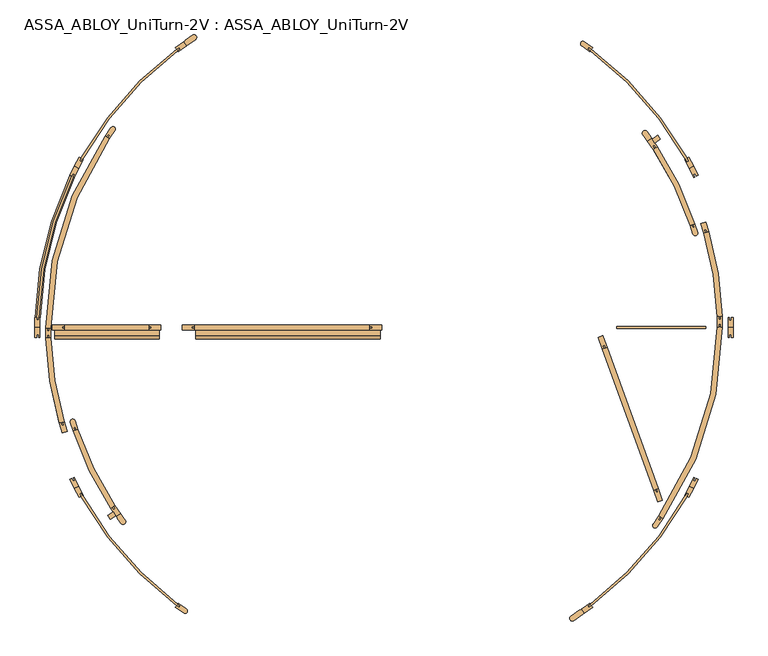
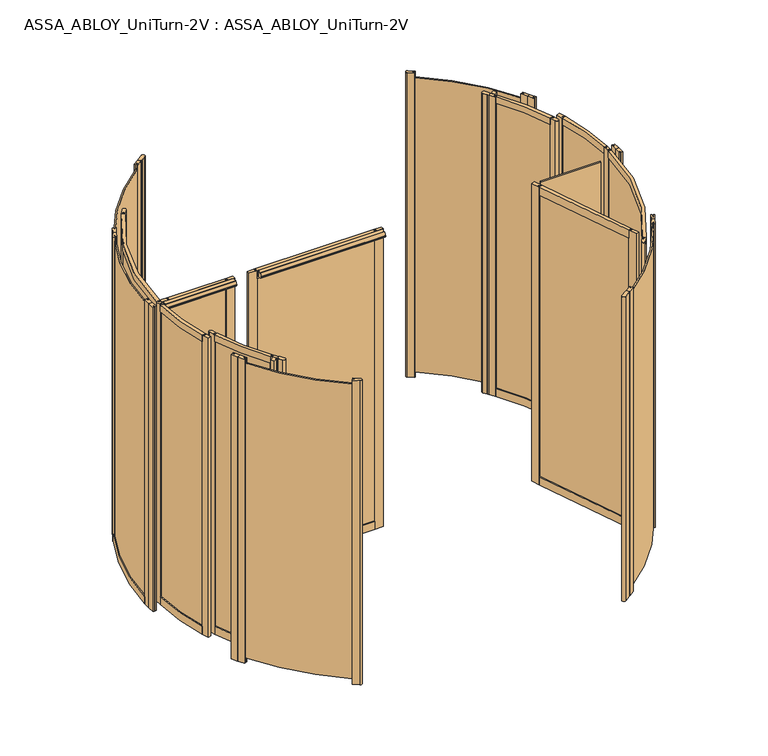
"""IFC4 building model written with IfcOpenShell, lengths in millimetres: door geometry, ASSA_ABLOY_UniTurn-2V : ASSA_ABLOY_UniTurn-2V."""

from ifc_helpers import new_model, si_unit, point, frame, frame_2d, origin, origin_with_axes, place, context, project, spatial, polyline, circle_curve, trimmed, segment, composite_curve, outline, extrude, source, transform, mapped, element, save
from ifc_brep_helpers import plane_surface, cylinder_surface, revolved_surface, advanced_brep


def assa_abloy_uniturn_2v_assa_abloy_uniturn_2v_77f66aa2(model_context):
    return source(origin(), model_context, "Body", "SolidModel", [
        advanced_brep(
        [(-1700.2306704, 53.0, 56.0), (-1700.2306704, 53.0, 0.0), (-1674.2416247, 52.245345, 0.0), (-1674.2416247, 52.245345, 56.0), (-1679.2395181, 52.390471, 56.0), (-1679.2395181, 52.390471, 41.0), (-1689.2353049, 52.6807229, 41.0), (-1689.2353049, 52.6807229, 56.0), (-1518.4720542, 795.7861567, 56.0), (-1508.5716201, 790.9922642, 56.0), (-1508.5716201, 790.9922642, 41.0), (-1499.5712255, 786.6341801, 41.0), (-1499.5712255, 786.6341801, 56.0), (-1495.0710282, 784.4551381, 56.0), (-1495.0710282, 784.4551381, 0.0), (-1518.4720542, 795.7861567, 0.0)],
        [
            (0, 1),
            (1, 2),
            (2, 3),
            (3, 4),
            (4, 5),
            (5, 6),
            (6, 7),
            (7, 0),
            (8, 9),
            (9, 10),
            (10, 11),
            (11, 12),
            (12, 13),
            (13, 14),
            (14, 15),
            (15, 8),
            (15, 1, circle_curve(frame((125.0, 0.0, 0.0), z_axis=(0.0, 0.0, 1.0), x_axis=(-0.9995786803689732, 0.029025191675892625, 0.0)), 1826.0)),
            (0, 8, circle_curve(frame((125.0, 0.0, 56.0), z_axis=(0.0, 0.0, -1.0), x_axis=(-0.9995786803689732, 0.029025191675892625, 0.0)), 1826.0)),
            (14, 2, circle_curve(frame((125.0, 0.0, 0.0), z_axis=(0.0, 0.0, 1.0), x_axis=(-0.9995786803689732, 0.029025191675892625, 0.0)), 1800.0)),
            (13, 3, circle_curve(frame((125.0, 0.0, 56.0), z_axis=(0.0, 0.0, 1.0), x_axis=(-0.9995786803689732, 0.029025191675892625, 0.0)), 1800.0)),
            (12, 4, circle_curve(frame((125.0, 0.0, 56.0), z_axis=(0.0, 0.0, 1.0), x_axis=(-0.9995786803689732, 0.029025191675892625, 0.0)), 1805.0)),
            (11, 5, circle_curve(frame((125.0, 0.0, 41.0), z_axis=(0.0, 0.0, 1.0), x_axis=(-0.9995786803689732, 0.029025191675892625, 0.0)), 1805.0)),
            (10, 6, circle_curve(frame((125.0, 0.0, 41.0), z_axis=(0.0, 0.0, 1.0), x_axis=(-0.9995786803689732, 0.029025191675892625, 0.0)), 1815.0)),
            (9, 7, circle_curve(frame((125.0, 0.0, 56.0), z_axis=(0.0, 0.0, 1.0), x_axis=(-0.9995786803689732, 0.029025191675892625, 0.0)), 1815.0)),
        ],
        [
            plane_surface(frame((-1700.2306704, 53.0, 0.0), z_axis=(-0.02902519167589263, -0.9995786803689732, 0.0), x_axis=(0.0, 0.0, 1.0))),
            plane_surface(frame((-1518.4720542, 795.7861567, 0.0), z_axis=(0.43580841002827103, 0.9000394601064059, 0.0), x_axis=(0.0, 0.0, 1.0))),
            cylinder_surface(frame((125.0, 0.0, 0.0), z_axis=(0.0, 0.0, -1.0000000000000002), x_axis=(-0.9995786803689732, 0.029025191675892625, 0.0)), 1826.0),
            plane_surface(frame((125.0, 0.0, 0.0), z_axis=(0.0, 0.0, -1.0000000000000002), x_axis=(-0.9995786803689732, 0.029025191675892625, 0.0))),
            revolved_surface(polyline([(-1674.241624664152, 52.24534501660673, 0.0), (-1674.241624664152, 52.24534501660673, 56.00000000000003)]), (125.0, 0.0, 0.0), (0.0, 0.0, -1.0000000000000002)),
            plane_surface(frame((125.0, 0.0, 56.0), z_axis=(0.0, 0.0, 1.0000000000000002), x_axis=(-0.9995786803689732, 0.029025191675892625, 0.0))),
            cylinder_surface(frame((125.0, 0.0, 0.0), z_axis=(0.0, 0.0, -1.0000000000000002), x_axis=(-0.9995786803689732, 0.029025191675892625, 0.0)), 1805.0),
            plane_surface(frame((125.0, 0.0, 41.0), z_axis=(0.0, 0.0, 1.0000000000000002), x_axis=(-0.9995786803689732, 0.029025191675892625, 0.0))),
            revolved_surface(polyline([(-1689.2353048696864, 52.68072289174511, 41.000000000000014), (-1689.2353048696864, 52.68072289174511, 56.00000000000003)]), (125.0, 0.0, 0.0), (0.0, 0.0, -1.0000000000000002)),
        ],
        [
            (0, [[1, 2, 3, 4, 5, 6, 7, 8]]),
            (1, [[9, 10, 11, 12, 13, 14, 15, 16]]),
            (2, [[17, -1, 18, -16]]),
            (3, [[19, -2, -17, -15]]),
            (4, [[20, -3, -19, -14]]),
            (5, [[21, -4, -20, -13]]),
            (6, [[22, -5, -21, -12]]),
            (7, [[23, -6, -22, -11]]),
            (8, [[24, -7, -23, -10]]),
            (5, [[-18, -8, -24, -9]]),
        ],
    ),
        extrude(outline(composite_curve([segment(polyline([(-907.4375854, 1474.4736797), (-922.3505728, 1495.7716329), (-913.9952219, 1501.6221125), (-914.5687984, 1502.4412646), (-877.0516347, 1528.7110654)]), True, "CONTINUOUS"), segment(trimmed(circle_curve(frame_2d((-869.0215646, 1517.2429367)), 14.0), [point((-877.0516347, 1528.7110654))], [point((-860.9914945, 1505.7748081))], False, "CARTESIAN"), True, "CONTINUOUS"), segment(polyline([(-860.9914945, 1505.7748081), (-898.5086581, 1479.5050073), (-899.0822346, 1480.3241594), (-907.4375854, 1474.4736797)]), True, "CONTINUOUS")], self_intersect=False)), origin_with_axes(), (0.0, 0.0, 1.0), 2500.0),
        extrude(outline(composite_curve([segment(polyline([(1172.3505728, -1495.7716329), (1163.9952219, -1501.6221125), (1164.5687984, -1502.4412646), (1118.6962839, -1534.561545)]), True, "CONTINUOUS"), segment(trimmed(circle_curve(frame_2d((1110.6662138, -1523.0934164)), 14.0), [point((1118.6962839, -1534.561545))], [point((1102.6361437, -1511.6252878))], False, "CARTESIAN"), True, "CONTINUOUS"), segment(polyline([(1102.6361437, -1511.6252878), (1148.5086581, -1479.5050073), (1149.0822346, -1480.3241594), (1157.4375854, -1474.4736797), (1172.3505728, -1495.7716329)]), True, "CONTINUOUS")], self_intersect=False)), origin_with_axes(), (0.0, 0.0, 1.0), 2500.0),
        extrude(outline(composite_curve([segment(polyline([(1701.7592796, -880.5601708), (1709.1472574, -866.3679974), (1718.0173657, -870.9854836), (1710.6293879, -885.1776569)]), True, "CONTINUOUS"), segment(trimmed(circle_curve(frame_2d((125.0, 0.0)), 1815.9735791), [point((1710.6293879, -885.1776569))], [point((1209.5710056, -1456.5252397))], False, "CARTESIAN"), True, "CONTINUOUS"), segment(polyline([(1209.5710056, -1456.5252397), (1196.4645729, -1465.7024626), (1190.7288085, -1457.5109422), (1203.8352412, -1448.3337192)]), True, "CONTINUOUS"), segment(trimmed(circle_curve(frame_2d((125.0, 0.0)), 1805.9778625), [point((1203.8352412, -1448.3337192))], [point((1701.7592796, -880.5601708))], True, "CARTESIAN"), True, "CONTINUOUS")], self_intersect=False)), frame((0.0, 0.0, 41.0), z_axis=(0.0, 0.0, 1.0), x_axis=(1.0, 0.0, 0.0)), (0.0, 0.0, 1.0), 2421.0),
        extrude(outline(composite_curve([segment(trimmed(circle_curve(frame_2d((125.0, 0.0)), 1815.9651017), [point((1209.3324154, 1456.6923023))], [point((1710.763879, 884.9193018))], False, "CARTESIAN"), True, "CONTINUOUS"), segment(polyline([(1710.763879, 884.9193018), (1718.0173657, 870.9854836), (1709.1472574, 866.3679974), (1701.7592796, 880.5601708)]), True, "CONTINUOUS"), segment(trimmed(circle_curve(frame_2d((125.0, 0.0)), 1805.9778625), [point((1701.7592796, 880.5601708))], [point((1203.8352412, 1448.3337192))], True, "CARTESIAN"), True, "CONTINUOUS"), segment(polyline([(1203.8352412, 1448.3337192), (1190.7288085, 1457.5109422), (1196.4645729, 1465.7024626), (1209.3324154, 1456.6923023)]), True, "CONTINUOUS")], self_intersect=False)), frame((0.0, 0.0, 41.0), z_axis=(0.0, 0.0, 1.0), x_axis=(1.0, 0.0, 0.0)), (0.0, 0.0, 1.0), 2421.0),
        extrude(outline(polyline([(1172.3505728, -1495.7716329), (1157.4375854, -1474.4736797), (1200.8526438, -1444.0741286), (1203.8352412, -1448.3337192), (1190.7288085, -1457.5109422), (1196.4645729, -1465.7024626), (1209.5710056, -1456.5252397), (1215.7656311, -1465.3720817), (1172.3505728, -1495.7716329)])), origin_with_axes(), (0.0, 0.0, 1.0), 2500.0),
        extrude(outline(polyline([(1744.6817814, -843.1529678), (1720.2091049, -890.1645419), (1710.6293879, -885.1776569), (1718.0173657, -870.9854836), (1709.1472574, -866.3679974), (1701.7592796, -880.5601708), (1697.1468232, -878.159078), (1721.6194997, -831.1475038), (1744.6817814, -843.1529678)])), origin_with_axes(), (0.0, 0.0, 1.0), 2500.0),
        extrude(outline(polyline([(1744.6817814, -843.1529678), (1721.6194997, -831.1475038), (1746.0921762, -784.1359297), (1750.7046326, -786.5370225), (1743.3166547, -800.7291958), (1752.1867631, -805.3466819), (1759.5747409, -791.1545086), (1769.1544579, -796.1413936), (1744.6817814, -843.1529678)])), origin_with_axes(), (0.0, 0.0, 1.0), 2500.0),
        extrude(outline(composite_curve([segment(polyline([(1215.7656311, 1465.3720817), (1209.5710056, 1456.5252397), (1196.4645729, 1465.7024626), (1190.7288085, 1457.5109422), (1203.8352412, 1448.3337192), (1200.8526438, 1444.0741286), (1158.4205679, 1473.785388)]), True, "CONTINUOUS"), segment(trimmed(circle_curve(frame_2d((1165.8770616, 1484.4343646)), 13.0), [point((1158.4205679, 1473.785388))], [point((1173.3335552, 1495.0833411))], False, "CARTESIAN"), True, "CONTINUOUS"), segment(polyline([(1173.3335552, 1495.0833411), (1215.7656311, 1465.3720817)]), True, "CONTINUOUS")], self_intersect=False)), origin_with_axes(), (0.0, 0.0, 1.0), 2500.0),
        extrude(outline(polyline([(1744.6817814, 843.1529678), (1769.1544579, 796.1413936), (1759.5747409, 791.1545086), (1752.1867631, 805.3466819), (1743.3166547, 800.7291958), (1750.7046326, 786.5370225), (1746.0921762, 784.1359297), (1721.6194997, 831.1475038), (1744.6817814, 843.1529678)])), origin_with_axes(), (0.0, 0.0, 1.0), 2500.0),
        extrude(outline(polyline([(1744.6817814, 843.1529678), (1721.6194997, 831.1475038), (1697.1468232, 878.159078), (1701.7592796, 880.5601708), (1709.1472574, 866.3679974), (1718.0173657, 870.9854836), (1710.6293879, 885.1776569), (1720.2091049, 890.1645419), (1744.6817814, 843.1529678)])), origin_with_axes(), (0.0, 0.0, 1.0), 2500.0),
        extrude(outline(polyline([(1951.0, 0.0), (1951.0, -53.0), (1940.2, -53.0), (1940.2, -37.0), (1930.2, -37.0), (1930.2, -53.0), (1925.0, -53.0), (1925.0, 0.0), (1951.0, 0.0)])), origin_with_axes(), (0.0, 0.0, 1.0), 2500.0),
        extrude(outline(polyline([(1951.0, 0.0), (1925.0, 0.0), (1925.0, 53.0), (1930.2, 53.0), (1930.2, 37.0), (1940.2, 37.0), (1940.2, 53.0), (1951.0, 53.0), (1951.0, 0.0)])), origin_with_axes(), (0.0, 0.0, 1.0), 2500.0),
        extrude(outline(composite_curve([segment(polyline([(-953.8352412, -1448.3337192), (-941.5479606, -1456.9373658), (-947.2837249, -1465.1288862), (-959.5710056, -1456.5252397)]), True, "CONTINUOUS"), segment(trimmed(circle_curve(frame_2d((125.0, 0.0)), 1815.9735791), [point((-959.5710056, -1456.5252397))], [point((-1460.6293879, -885.1776569))], False, "CARTESIAN"), True, "CONTINUOUS"), segment(polyline([(-1460.6293879, -885.1776569), (-1467.5556171, -871.8724944), (-1458.6855088, -867.2550083), (-1451.7592795, -880.5601708)]), True, "CONTINUOUS"), segment(trimmed(circle_curve(frame_2d((125.0, 0.0)), 1805.9778625), [point((-1451.7592795, -880.5601708))], [point((-953.8352412, -1448.3337192))], True, "CARTESIAN"), True, "CONTINUOUS")], self_intersect=False)), frame((0.0, 0.0, 41.0), z_axis=(0.0, 0.0, 1.0), x_axis=(1.0, 0.0, 0.0)), (0.0, 0.0, 1.0), 2421.0),
        extrude(outline(composite_curve([segment(trimmed(circle_curve(frame_2d((125.0, 0.0)), 1805.9778625), [point((-953.8352412, 1448.3337192))], [point((-1451.7592796, 880.5601708))], True, "CARTESIAN"), True, "CONTINUOUS"), segment(polyline([(-1451.7592796, 880.5601708), (-1458.6855088, 867.2550083), (-1467.5556171, 871.8724944), (-1460.6293879, 885.1776569)]), True, "CONTINUOUS"), segment(trimmed(circle_curve(frame_2d((125.0, 0.0)), 1815.9735791), [point((-1460.6293879, 885.1776569))], [point((-959.5710056, 1456.5252397))], False, "CARTESIAN"), True, "CONTINUOUS"), segment(polyline([(-959.5710056, 1456.5252397), (-947.2837249, 1465.1288862), (-941.5479606, 1456.9373658), (-953.8352412, 1448.3337192)]), True, "CONTINUOUS")], self_intersect=False)), frame((0.0, 0.0, 41.0), z_axis=(0.0, 0.0, 1.0), x_axis=(1.0, 0.0, 0.0)), (0.0, 0.0, 1.0), 2421.0),
        extrude(outline(composite_curve([segment(trimmed(circle_curve(frame_2d((125.0, 0.0)), 1805.9778625), [point((-1500.7046326, 786.5370225))], [point((-1680.2, 53.0))], True, "CARTESIAN"), True, "CONTINUOUS"), segment(polyline([(-1680.2, 53.0), (-1680.2, 38.0), (-1690.2, 38.0), (-1690.2, 53.0)]), True, "CONTINUOUS"), segment(trimmed(circle_curve(frame_2d((125.0, 0.0)), 1815.9735791), [point((-1690.2, 53.0))], [point((-1509.5747409, 791.1545086))], False, "CARTESIAN"), True, "CONTINUOUS"), segment(polyline([(-1509.5747409, 791.1545086), (-1502.6485117, 804.4596711), (-1493.7784034, 799.842185), (-1500.7046326, 786.5370225)]), True, "CONTINUOUS")], self_intersect=False)), frame((0.0, 0.0, 41.0), z_axis=(0.0, 0.0, 1.0), x_axis=(1.0, 0.0, 0.0)), (0.0, 0.0, 1.0), 2421.0),
        extrude(outline(polyline([(-1494.6773084, -843.1615602), (-1471.6150268, -831.1560963), (-1447.1468232, -878.159078), (-1451.7592796, -880.5601708), (-1458.6855088, -867.2550083), (-1467.5556171, -871.8724944), (-1460.6293879, -885.1776569), (-1470.2091049, -890.1645419), (-1494.6773084, -843.1615602)])), origin_with_axes(), (0.0, 0.0, 1.0), 2500.0),
        extrude(outline(polyline([(-1494.6817814, -843.1529678), (-1519.1544579, -796.1413936), (-1509.5747409, -791.1545086), (-1502.6485117, -804.4596711), (-1493.7784034, -799.842185), (-1500.7046326, -786.5370225), (-1496.0921762, -784.1359297), (-1471.6194997, -831.1475038), (-1494.6817814, -843.1529678)])), origin_with_axes(), (0.0, 0.0, 1.0), 2500.0),
        extrude(outline(composite_curve([segment(polyline([(-965.7656311, -1465.3720817), (-959.5710056, -1456.5252397), (-947.2837249, -1465.1288862), (-941.5479606, -1456.9373658), (-953.8352412, -1448.3337192), (-950.8526438, -1444.0741286), (-908.4205679, -1473.785388)]), True, "CONTINUOUS"), segment(trimmed(circle_curve(frame_2d((-915.8770616, -1484.4343646)), 13.0), [point((-908.4205679, -1473.785388))], [point((-923.3335552, -1495.0833411))], False, "CARTESIAN"), True, "CONTINUOUS"), segment(polyline([(-923.3335552, -1495.0833411), (-965.7656311, -1465.3720817)]), True, "CONTINUOUS")], self_intersect=False)), origin_with_axes(), (0.0, 0.0, 1.0), 2500.0),
        extrude(outline(polyline([(-922.3505728, 1495.7716329), (-907.4375854, 1474.4736797), (-950.8526438, 1444.0741286), (-953.8352412, 1448.3337192), (-941.5479606, 1456.9373658), (-947.2837249, 1465.1288862), (-959.5710056, 1456.5252397), (-965.7656311, 1465.3720817), (-922.3505728, 1495.7716329)])), origin_with_axes(), (0.0, 0.0, 1.0), 2500.0),
        extrude(outline(polyline([(-1494.6817814, 843.1529678), (-1471.6194997, 831.1475038), (-1496.0921762, 784.1359297), (-1500.7046326, 786.5370225), (-1493.7784034, 799.842185), (-1502.6485117, 804.4596711), (-1509.5747409, 791.1545086), (-1519.1544579, 796.1413936), (-1494.6817814, 843.1529678)])), origin_with_axes(), (0.0, 0.0, 1.0), 2500.0),
        extrude(outline(polyline([(-1494.6817814, 843.1529678), (-1470.2091049, 890.1645419), (-1460.6293879, 885.1776569), (-1467.5556171, 871.8724944), (-1458.6855088, 867.2550083), (-1451.7592796, 880.5601708), (-1447.1468232, 878.159078), (-1471.6194997, 831.1475038), (-1494.6817814, 843.1529678)])), origin_with_axes(), (0.0, 0.0, 1.0), 2500.0),
        extrude(outline(polyline([(-1701.0, 0.0), (-1675.0, 0.0), (-1675.0, -53.0), (-1680.2, -53.0), (-1680.2, -38.0), (-1690.2, -38.0), (-1690.2, -53.0), (-1701.0, -53.0), (-1701.0, 0.0)])), origin_with_axes(), (0.0, 0.0, 1.0), 2500.0),
        extrude(outline(polyline([(-1700.8261964, 0.0), (-1700.8261964, 53.0), (-1690.2, 53.0), (-1690.2, 38.0), (-1680.2, 38.0), (-1680.2, 53.0), (-1675.0, 53.0), (-1675.0, 0.0), (-1700.8261964, 0.0)])), origin_with_axes(), (0.0, 0.0, 1.0), 2500.0),
        extrude(outline(composite_curve([segment(trimmed(circle_curve(frame_2d((125.0, 0.0)), 1770.0), [point((-1644.997187, -3.1556429))], [point((-1333.8407002, 1002.3391699))], False, "CARTESIAN"), True, "CONTINUOUS"), segment(polyline([(-1333.8407002, 1002.3391699), (-1312.4114018, 987.6155436)]), True, "CONTINUOUS"), segment(trimmed(circle_curve(frame_2d((125.0, 0.0)), 1744.0), [point((-1312.4114018, 987.6155436))], [point((-1618.9972283, -3.1092888))], True, "CARTESIAN"), True, "CONTINUOUS"), segment(polyline([(-1618.9972283, -3.1092888), (-1644.997187, -3.1556429)]), True, "CONTINUOUS")], self_intersect=False)), frame((0.0, 0.0, 2447.0), z_axis=(0.0, 0.0, 1.0), x_axis=(1.0, 0.0, 0.0)), (0.0, 0.0, 1.0), 53.0),
        extrude(outline(composite_curve([segment(trimmed(circle_curve(frame_2d((125.0, 0.0)), 1770.0), [point((-1572.6176373, -500.9933707))], [point((-1644.109205, -56.1482036))], False, "CARTESIAN"), True, "CONTINUOUS"), segment(polyline([(-1644.109205, -56.1482036), (-1618.1222901, -55.3234277)]), True, "CONTINUOUS"), segment(trimmed(circle_curve(frame_2d((125.0, 0.0)), 1744.0), [point((-1618.1222901, -55.3234277))], [point((-1547.6808811, -493.634146))], True, "CARTESIAN"), True, "CONTINUOUS"), segment(polyline([(-1547.6808811, -493.634146), (-1572.6176373, -500.9933707)]), True, "CONTINUOUS")], self_intersect=False)), frame((0.0, 0.0, 2447.0), z_axis=(0.0, 0.0, 1.0), x_axis=(1.0, 0.0, 0.0)), (0.0, 0.0, 1.0), 53.0),
        extrude(outline(composite_curve([segment(trimmed(circle_curve(frame_2d((125.0, 0.0)), 1714.18), [point((-1304.3608285, -946.2244419))], [point((-1501.3005929, -541.8112716))], False, "CARTESIAN"), True, "CONTINUOUS"), segment(polyline([(-1501.3005929, -541.8112716), (-1476.6335127, -533.5932939)]), True, "CONTINUOUS"), segment(trimmed(circle_curve(frame_2d((125.0, 0.0)), 1688.18), [point((-1476.6335127, -533.5932939))], [point((-1282.6808523, -931.8724861))], True, "CARTESIAN"), True, "CONTINUOUS"), segment(polyline([(-1282.6808523, -931.8724861), (-1304.3608285, -946.2244419)]), True, "CONTINUOUS")], self_intersect=False)), frame((0.0, 0.0, 2447.0), z_axis=(0.0, 0.0, 1.0), x_axis=(1.0, 0.0, 0.0)), (0.0, 0.0, 1.0), 53.0),
        extrude(outline(polyline([(-1277.2698299, -985.8486568), (-1306.1522531, -1005.6174613), (-1320.8376507, -984.161947), (-1291.9552275, -964.3931425), (-1277.2698299, -985.8486568)])), frame((0.0, 0.0, 40.0), z_axis=(0.0, 0.0, 1.0), x_axis=(1.0, 0.0, 0.0)), (0.0, 0.0, 1.0), 2460.0),
        extrude(outline(composite_curve([segment(polyline([(-1252.9902006, -975.2893197), (-1247.2835329, -983.6268189), (-1246.4583208, -983.0619959), (-1228.2729762, -1009.6309681)]), True, "CONTINUOUS"), segment(trimmed(circle_curve(frame_2d((-1240.4124924, -1016.6815389)), 14.0384615), [point((-1228.2729762, -1009.6309681))], [point((-1251.3789148, -1025.4460117))], False, "CARTESIAN"), True, "CONTINUOUS"), segment(polyline([(-1251.3789148, -1025.4460117), (-1269.5662149, -998.8741824), (-1268.7410028, -998.3093594), (-1274.445715, -989.9747173), (-1252.9902006, -975.2893197)]), True, "CONTINUOUS")], self_intersect=False)), frame((0.0, 0.0, 40.0), z_axis=(0.0, 0.0, 1.0), x_axis=(1.0, 0.0, 0.0)), (0.0, 0.0, 1.0), 2460.0),
        extrude(outline(polyline([(-1274.445715, -989.9747173), (-1304.3813332, -946.2384765), (-1297.7796364, -941.7198926), (-1289.3072917, -954.098074), (-1281.0551708, -948.4498441), (-1289.5275155, -936.0716627), (-1282.9258188, -931.5530789), (-1252.9902006, -975.2893197), (-1274.445715, -989.9747173)])), frame((0.0, 0.0, 40.0), z_axis=(0.0, 0.0, 1.0), x_axis=(1.0, 0.0, 0.0)), (0.0, 0.0, 1.0), 2460.0),
        extrude(outline(composite_curve([segment(polyline([(-1501.3242854, -541.81876), (-1515.4887481, -497.0039411)]), True, "CONTINUOUS"), segment(trimmed(circle_curve(frame_2d((-1503.0931599, -493.086111)), 13.0), [point((-1515.4887481, -497.0039411))], [point((-1490.6975716, -489.1682809))], False, "CARTESIAN"), True, "CONTINUOUS"), segment(polyline([(-1490.6975716, -489.1682809), (-1476.533109, -533.9830998), (-1484.1611632, -536.3940722), (-1488.6817364, -522.0914704), (-1498.2168043, -525.1051859), (-1493.6962311, -539.4077877), (-1501.3242854, -541.81876)]), True, "CONTINUOUS")], self_intersect=False)), frame((0.0, 0.0, 40.0), z_axis=(0.0, 0.0, 1.0), x_axis=(1.0, 0.0, 0.0)), (0.0, 0.0, 1.0), 2460.0),
        extrude(outline(polyline([(-1572.6415731, -501.0008258), (-1565.0034867, -498.6218268), (-1560.5428636, -512.9432388), (-1550.9952556, -509.9694901), (-1555.4558787, -495.6480781), (-1547.8177923, -493.2690791), (-1532.056924, -543.8714015), (-1556.8807048, -551.6031482), (-1572.6415731, -501.0008258)])), frame((0.0, 0.0, 40.0), z_axis=(0.0, 0.0, 1.0), x_axis=(1.0, 0.0, 0.0)), (0.0, 0.0, 1.0), 2460.0),
        extrude(outline(composite_curve([segment(polyline([(-1333.8611481, 1002.3536746), (-1303.7755279, 1044.7665907)]), True, "CONTINUOUS"), segment(trimmed(circle_curve(frame_2d((-1293.1722989, 1037.2451857)), 13.0), [point((-1303.7755279, 1044.7665907))], [point((-1282.5690698, 1029.7237807))], False, "CARTESIAN"), True, "CONTINUOUS"), segment(polyline([(-1282.5690698, 1029.7237807), (-1312.65469, 987.3108645), (-1319.179754, 991.9394214), (-1310.5012097, 1004.1739165), (-1318.6575398, 1009.9596127), (-1327.336084, 997.7251176), (-1333.8611481, 1002.3536746)]), True, "CONTINUOUS")], self_intersect=False)), frame((0.0, 0.0, 40.0), z_axis=(0.0, 0.0, 1.0), x_axis=(1.0, 0.0, 0.0)), (0.0, 0.0, 1.0), 2460.0),
        extrude(outline(polyline([(-1644.1342714, -56.1486236), (-1645.0222534, -3.1560629), (-1637.0233763, -3.0220279), (-1636.7720607, -18.0199224), (-1626.7734643, -17.8523786), (-1627.02478, -2.8544841), (-1619.0259029, -2.7204491), (-1618.1379209, -55.7130098), (-1626.136798, -55.8470448), (-1626.3881136, -40.8491503), (-1636.38671, -41.016694), (-1636.1353943, -56.0145886), (-1644.1342714, -56.1486236)])), frame((0.0, 0.0, 40.0), z_axis=(0.0, 0.0, 1.0), x_axis=(1.0, 0.0, 0.0)), (0.0, 0.0, 1.0), 2460.0),
        extrude(outline(composite_curve([segment(trimmed(circle_curve(frame_2d((125.0, 0.0)), 1706.18), [point((-1289.3938312, -954.2223444))], [point((-1498.3679996, -525.0966867))], False, "CARTESIAN"), True, "CONTINUOUS"), segment(polyline([(-1498.3679996, -525.0966867), (-1488.8533645, -522.0190707)]), True, "CONTINUOUS"), segment(trimmed(circle_curve(frame_2d((125.0, 0.0)), 1696.18), [point((-1488.8533645, -522.0190707))], [point((-1281.1040035, -948.6296031))], True, "CARTESIAN"), True, "CONTINUOUS"), segment(polyline([(-1281.1040035, -948.6296031), (-1289.3938312, -954.2223444)]), True, "CONTINUOUS")], self_intersect=False)), frame((0.0, 0.0, 105.0), z_axis=(0.0, 0.0, 1.0), x_axis=(1.0, 0.0, 0.0)), (0.0, 0.0, 1.0), 2342.0),
        extrude(outline(composite_curve([segment(trimmed(circle_curve(frame_2d((125.0, 0.0)), 1762.0), [point((-1560.6573752, -513.0333455))], [point((-1636.5236883, -40.9670046))], False, "CARTESIAN"), True, "CONTINUOUS"), segment(polyline([(-1636.5236883, -40.9670046), (-1626.5263916, -40.7345018)]), True, "CONTINUOUS"), segment(trimmed(circle_curve(frame_2d((125.0, 0.0)), 1752.0), [point((-1626.5263916, -40.7345018))], [point((-1551.0906477, -510.121692))], True, "CARTESIAN"), True, "CONTINUOUS"), segment(polyline([(-1551.0906477, -510.121692), (-1560.6573752, -513.0333455)]), True, "CONTINUOUS")], self_intersect=False)), frame((0.0, 0.0, 105.0), z_axis=(0.0, 0.0, 1.0), x_axis=(1.0, 0.0, 0.0)), (0.0, 0.0, 1.0), 2342.0),
        extrude(outline(composite_curve([segment(trimmed(circle_curve(frame_2d((125.0, 0.0)), 1762.0), [point((-1636.9072973, -18.0741732))], [point((-1318.7384966, 1010.0807659))], False, "CARTESIAN"), True, "CONTINUOUS"), segment(polyline([(-1318.7384966, 1010.0807659), (-1310.544748, 1004.3481849)]), True, "CONTINUOUS"), segment(trimmed(circle_curve(frame_2d((125.0, 0.0)), 1752.0), [point((-1310.544748, 1004.3481849))], [point((-1626.9078234, -17.9715956))], True, "CARTESIAN"), True, "CONTINUOUS"), segment(polyline([(-1626.9078234, -17.9715956), (-1636.9072973, -18.0741732)]), True, "CONTINUOUS")], self_intersect=False)), frame((0.0, 0.0, 105.0), z_axis=(0.0, 0.0, 1.0), x_axis=(1.0, 0.0, 0.0)), (0.0, 0.0, 1.0), 2342.0),
        extrude(outline(composite_curve([segment(trimmed(circle_curve(frame_2d((125.0, 0.0)), 1770.0), [point((-1644.997187, -3.1556429))], [point((-1333.8407002, 1002.3391699))], False, "CARTESIAN"), True, "CONTINUOUS"), segment(polyline([(-1333.8407002, 1002.3391699), (-1312.4114018, 987.6155436)]), True, "CONTINUOUS"), segment(trimmed(circle_curve(frame_2d((125.0, 0.0)), 1744.0), [point((-1312.4114018, 987.6155436))], [point((-1618.9972283, -3.1092888))], True, "CARTESIAN"), True, "CONTINUOUS"), segment(polyline([(-1618.9972283, -3.1092888), (-1644.997187, -3.1556429)]), True, "CONTINUOUS")], self_intersect=False)), frame((0.0, 0.0, 40.0), z_axis=(0.0, 0.0, 1.0), x_axis=(1.0, 0.0, 0.0)), (0.0, 0.0, 1.0), 65.0),
        extrude(outline(composite_curve([segment(trimmed(circle_curve(frame_2d((125.0, 0.0)), 1770.0), [point((-1572.6176373, -500.9933707))], [point((-1644.109205, -56.1482036))], False, "CARTESIAN"), True, "CONTINUOUS"), segment(polyline([(-1644.109205, -56.1482036), (-1618.1222901, -55.3234277)]), True, "CONTINUOUS"), segment(trimmed(circle_curve(frame_2d((125.0, 0.0)), 1744.0), [point((-1618.1222901, -55.3234277))], [point((-1547.6808811, -493.634146))], True, "CARTESIAN"), True, "CONTINUOUS"), segment(polyline([(-1547.6808811, -493.634146), (-1572.6176373, -500.9933707)]), True, "CONTINUOUS")], self_intersect=False)), frame((0.0, 0.0, 40.0), z_axis=(0.0, 0.0, 1.0), x_axis=(1.0, 0.0, 0.0)), (0.0, 0.0, 1.0), 65.0),
        extrude(outline(composite_curve([segment(trimmed(circle_curve(frame_2d((125.0, 0.0)), 1714.2740759), [point((-1304.4384703, -946.2775845))], [point((-1501.3903056, -541.8396268))], False, "CARTESIAN"), True, "CONTINUOUS"), segment(polyline([(-1501.3903056, -541.8396268), (-1476.7232185, -533.62167)]), True, "CONTINUOUS"), segment(trimmed(circle_curve(frame_2d((125.0, 0.0)), 1688.2740759), [point((-1476.7232185, -533.62167))], [point((-1282.7585064, -931.9256103))], True, "CARTESIAN"), True, "CONTINUOUS"), segment(polyline([(-1282.7585064, -931.9256103), (-1304.4384703, -946.2775845)]), True, "CONTINUOUS")], self_intersect=False)), frame((0.0, 0.0, 40.0), z_axis=(0.0, 0.0, 1.0), x_axis=(1.0, 0.0, 0.0)), (0.0, 0.0, 1.0), 65.0),
        extrude(outline(polyline([(1527.2698299, 985.8486568), (1556.1522531, 1005.6174613), (1570.8376507, 984.161947), (1541.9552275, 964.3931425), (1527.2698299, 985.8486568)])), frame((0.0, 0.0, 40.0), z_axis=(0.0, 0.0, 1.0), x_axis=(1.0, 0.0, 0.0)), (0.0, 0.0, 1.0), 2460.0),
        extrude(outline(composite_curve([segment(polyline([(1502.9902006, 975.2893197), (1497.2835329, 983.6268189), (1496.4583208, 983.0619959), (1478.2729762, 1009.6309681)]), True, "CONTINUOUS"), segment(trimmed(circle_curve(frame_2d((1490.4124924, 1016.6815389)), 14.0384615), [point((1478.2729762, 1009.6309681))], [point((1501.3789148, 1025.4460117))], False, "CARTESIAN"), True, "CONTINUOUS"), segment(polyline([(1501.3789148, 1025.4460117), (1519.5662149, 998.8741824), (1518.7410028, 998.3093594), (1524.445715, 989.9747173), (1502.9902006, 975.2893197)]), True, "CONTINUOUS")], self_intersect=False)), frame((0.0, 0.0, 40.0), z_axis=(0.0, 0.0, 1.0), x_axis=(1.0, 0.0, 0.0)), (0.0, 0.0, 1.0), 2460.0),
        extrude(outline(polyline([(1524.445715, 989.9747173), (1554.3813332, 946.2384765), (1547.7796364, 941.7198926), (1539.3072917, 954.098074), (1531.0551708, 948.4498441), (1539.5275155, 936.0716627), (1532.9258188, 931.5530789), (1502.9902006, 975.2893197), (1524.445715, 989.9747173)])), frame((0.0, 0.0, 40.0), z_axis=(0.0, 0.0, 1.0), x_axis=(1.0, 0.0, 0.0)), (0.0, 0.0, 1.0), 2460.0),
        extrude(outline(composite_curve([segment(polyline([(1751.3242854, 541.81876), (1765.4887481, 497.0039411)]), True, "CONTINUOUS"), segment(trimmed(circle_curve(frame_2d((1753.0931599, 493.086111)), 13.0), [point((1765.4887481, 497.0039411))], [point((1740.6975716, 489.1682809))], False, "CARTESIAN"), True, "CONTINUOUS"), segment(polyline([(1740.6975716, 489.1682809), (1726.533109, 533.9830998), (1734.1611632, 536.3940722), (1738.6817364, 522.0914704), (1748.2168043, 525.1051859), (1743.6962311, 539.4077877), (1751.3242854, 541.81876)]), True, "CONTINUOUS")], self_intersect=False)), frame((0.0, 0.0, 40.0), z_axis=(0.0, 0.0, 1.0), x_axis=(1.0, 0.0, 0.0)), (0.0, 0.0, 1.0), 2460.0),
        extrude(outline(polyline([(1822.6415731, 501.0008258), (1815.0034867, 498.6218268), (1810.5428636, 512.9432388), (1800.9952556, 509.9694901), (1805.4558787, 495.6480781), (1797.8177923, 493.2690791), (1782.056924, 543.8714015), (1806.8807048, 551.6031482), (1822.6415731, 501.0008258)])), frame((0.0, 0.0, 40.0), z_axis=(0.0, 0.0, 1.0), x_axis=(1.0, 0.0, 0.0)), (0.0, 0.0, 1.0), 2460.0),
        extrude(outline(composite_curve([segment(polyline([(1583.8611481, -1002.3536746), (1553.7755279, -1044.7665907)]), True, "CONTINUOUS"), segment(trimmed(circle_curve(frame_2d((1543.1722989, -1037.2451857)), 13.0), [point((1553.7755279, -1044.7665907))], [point((1532.5690698, -1029.7237807))], False, "CARTESIAN"), True, "CONTINUOUS"), segment(polyline([(1532.5690698, -1029.7237807), (1562.65469, -987.3108645), (1569.179754, -991.9394214), (1560.5012097, -1004.1739165), (1568.6575398, -1009.9596127), (1577.336084, -997.7251176), (1583.8611481, -1002.3536746)]), True, "CONTINUOUS")], self_intersect=False)), frame((0.0, 0.0, 40.0), z_axis=(0.0, 0.0, 1.0), x_axis=(1.0, 0.0, 0.0)), (0.0, 0.0, 1.0), 2460.0),
        extrude(outline(polyline([(1894.1342714, 56.1486236), (1895.0222534, 3.1560629), (1887.0233763, 3.0220279), (1886.7720607, 18.0199224), (1876.7734643, 17.8523786), (1877.02478, 2.8544841), (1869.0259029, 2.7204491), (1868.1379209, 55.7130098), (1876.136798, 55.8470448), (1876.3881136, 40.8491503), (1886.38671, 41.016694), (1886.1353943, 56.0145886), (1894.1342714, 56.1486236)])), frame((0.0, 0.0, 40.0), z_axis=(0.0, 0.0, 1.0), x_axis=(1.0, 0.0, 0.0)), (0.0, 0.0, 1.0), 2460.0),
        extrude(outline(composite_curve([segment(trimmed(circle_curve(frame_2d((125.0, 0.0)), 1706.18), [point((1539.3938312, 954.2223444))], [point((1748.3679996, 525.0966867))], False, "CARTESIAN"), True, "CONTINUOUS"), segment(polyline([(1748.3679996, 525.0966867), (1738.8533645, 522.0190707)]), True, "CONTINUOUS"), segment(trimmed(circle_curve(frame_2d((125.0, 0.0)), 1696.18), [point((1738.8533645, 522.0190707))], [point((1531.1040035, 948.6296031))], True, "CARTESIAN"), True, "CONTINUOUS"), segment(polyline([(1531.1040035, 948.6296031), (1539.3938312, 954.2223444)]), True, "CONTINUOUS")], self_intersect=False)), frame((0.0, 0.0, 105.0), z_axis=(0.0, 0.0, 1.0), x_axis=(1.0, 0.0, 0.0)), (0.0, 0.0, 1.0), 2342.0),
        extrude(outline(composite_curve([segment(trimmed(circle_curve(frame_2d((125.0, 0.0)), 1762.0), [point((1810.6573752, 513.0333455))], [point((1886.5236883, 40.9670046))], False, "CARTESIAN"), True, "CONTINUOUS"), segment(polyline([(1886.5236883, 40.9670046), (1876.5263916, 40.7345018)]), True, "CONTINUOUS"), segment(trimmed(circle_curve(frame_2d((125.0, 0.0)), 1752.0), [point((1876.5263916, 40.7345018))], [point((1801.0906477, 510.121692))], True, "CARTESIAN"), True, "CONTINUOUS"), segment(polyline([(1801.0906477, 510.121692), (1810.6573752, 513.0333455)]), True, "CONTINUOUS")], self_intersect=False)), frame((0.0, 0.0, 105.0), z_axis=(0.0, 0.0, 1.0), x_axis=(1.0, 0.0, 0.0)), (0.0, 0.0, 1.0), 2342.0),
        extrude(outline(composite_curve([segment(trimmed(circle_curve(frame_2d((125.0, 0.0)), 1762.0), [point((1886.9072973, 18.0741732))], [point((1568.7384966, -1010.0807659))], False, "CARTESIAN"), True, "CONTINUOUS"), segment(polyline([(1568.7384966, -1010.0807659), (1560.544748, -1004.3481849)]), True, "CONTINUOUS"), segment(trimmed(circle_curve(frame_2d((125.0, 0.0)), 1752.0), [point((1560.544748, -1004.3481849))], [point((1876.9078234, 17.9715956))], True, "CARTESIAN"), True, "CONTINUOUS"), segment(polyline([(1876.9078234, 17.9715956), (1886.9072973, 18.0741732)]), True, "CONTINUOUS")], self_intersect=False)), frame((0.0, 0.0, 105.0), z_axis=(0.0, 0.0, 1.0), x_axis=(1.0, 0.0, 0.0)), (0.0, 0.0, 1.0), 2342.0),
        extrude(outline(composite_curve([segment(trimmed(circle_curve(frame_2d((125.0, 0.0)), 1770.0), [point((1894.997187, 3.1556429))], [point((1583.8407002, -1002.3391699))], False, "CARTESIAN"), True, "CONTINUOUS"), segment(polyline([(1583.8407002, -1002.3391699), (1562.4114018, -987.6155436)]), True, "CONTINUOUS"), segment(trimmed(circle_curve(frame_2d((125.0, 0.0)), 1744.0), [point((1562.4114018, -987.6155436))], [point((1868.9972283, 3.1092888))], True, "CARTESIAN"), True, "CONTINUOUS"), segment(polyline([(1868.9972283, 3.1092888), (1894.997187, 3.1556429)]), True, "CONTINUOUS")], self_intersect=False)), frame((0.0, 0.0, 2447.0), z_axis=(0.0, 0.0, 1.0), x_axis=(1.0, 0.0, 0.0)), (0.0, 0.0, 1.0), 53.0),
        extrude(outline(composite_curve([segment(trimmed(circle_curve(frame_2d((125.0, 0.0)), 1770.0), [point((1822.6176373, 500.9933707))], [point((1894.109205, 56.1482036))], False, "CARTESIAN"), True, "CONTINUOUS"), segment(polyline([(1894.109205, 56.1482036), (1868.1222901, 55.3234277)]), True, "CONTINUOUS"), segment(trimmed(circle_curve(frame_2d((125.0, 0.0)), 1744.0), [point((1868.1222901, 55.3234277))], [point((1797.6808811, 493.634146))], True, "CARTESIAN"), True, "CONTINUOUS"), segment(polyline([(1797.6808811, 493.634146), (1822.6176373, 500.9933707)]), True, "CONTINUOUS")], self_intersect=False)), frame((0.0, 0.0, 2447.0), z_axis=(0.0, 0.0, 1.0), x_axis=(1.0, 0.0, 0.0)), (0.0, 0.0, 1.0), 53.0),
        extrude(outline(composite_curve([segment(trimmed(circle_curve(frame_2d((125.0, 0.0)), 1714.18), [point((1554.3608285, 946.2244419))], [point((1751.3005929, 541.8112716))], False, "CARTESIAN"), True, "CONTINUOUS"), segment(polyline([(1751.3005929, 541.8112716), (1726.6335127, 533.5932939)]), True, "CONTINUOUS"), segment(trimmed(circle_curve(frame_2d((125.0, 0.0)), 1688.18), [point((1726.6335127, 533.5932939))], [point((1532.6808523, 931.8724861))], True, "CARTESIAN"), True, "CONTINUOUS"), segment(polyline([(1532.6808523, 931.8724861), (1554.3608285, 946.2244419)]), True, "CONTINUOUS")], self_intersect=False)), frame((0.0, 0.0, 2447.0), z_axis=(0.0, 0.0, 1.0), x_axis=(1.0, 0.0, 0.0)), (0.0, 0.0, 1.0), 53.0),
        extrude(outline(composite_curve([segment(trimmed(circle_curve(frame_2d((125.0, 0.0)), 1770.0), [point((1894.997187, 3.1556429))], [point((1583.8407002, -1002.3391699))], False, "CARTESIAN"), True, "CONTINUOUS"), segment(polyline([(1583.8407002, -1002.3391699), (1562.4114018, -987.6155436)]), True, "CONTINUOUS"), segment(trimmed(circle_curve(frame_2d((125.0, 0.0)), 1744.0), [point((1562.4114018, -987.6155436))], [point((1868.9972283, 3.1092888))], True, "CARTESIAN"), True, "CONTINUOUS"), segment(polyline([(1868.9972283, 3.1092888), (1894.997187, 3.1556429)]), True, "CONTINUOUS")], self_intersect=False)), frame((0.0, 0.0, 40.0), z_axis=(0.0, 0.0, 1.0), x_axis=(1.0, 0.0, 0.0)), (0.0, 0.0, 1.0), 65.0),
        extrude(outline(composite_curve([segment(trimmed(circle_curve(frame_2d((125.0, 0.0)), 1770.0), [point((1822.6176373, 500.9933707))], [point((1894.1632704, 54.4180359))], False, "CARTESIAN"), True, "CONTINUOUS"), segment(polyline([(1894.1632704, 54.4180359), (1868.1755614, 53.6186749)]), True, "CONTINUOUS"), segment(trimmed(circle_curve(frame_2d((125.0, 0.0)), 1744.0), [point((1868.1755614, 53.6186749))], [point((1797.6808811, 493.634146))], True, "CARTESIAN"), True, "CONTINUOUS"), segment(polyline([(1797.6808811, 493.634146), (1822.6176373, 500.9933707)]), True, "CONTINUOUS")], self_intersect=False)), frame((0.0, 0.0, 40.0), z_axis=(0.0, 0.0, 1.0), x_axis=(1.0, 0.0, 0.0)), (0.0, 0.0, 1.0), 65.0),
        extrude(outline(composite_curve([segment(trimmed(circle_curve(frame_2d((125.0, 0.0)), 1714.18), [point((1554.3608285, 946.2244419))], [point((1751.3005929, 541.8112716))], False, "CARTESIAN"), True, "CONTINUOUS"), segment(polyline([(1751.3005929, 541.8112716), (1726.6335127, 533.5932939)]), True, "CONTINUOUS"), segment(trimmed(circle_curve(frame_2d((125.0, 0.0)), 1688.18), [point((1726.6335127, 533.5932939))], [point((1532.6808523, 931.8724861))], True, "CARTESIAN"), True, "CONTINUOUS"), segment(polyline([(1532.6808523, 931.8724861), (1554.3608285, 946.2244419)]), True, "CONTINUOUS")], self_intersect=False)), frame((0.0, 0.0, 40.0), z_axis=(0.0, 0.0, 1.0), x_axis=(1.0, 0.0, 0.0)), (0.0, 0.0, 1.0), 65.0),
        extrude(outline(polyline([(-1559.0, 5.0), (-1091.6, 5.0), (-1091.6, -5.0), (-1559.0, -5.0), (-1559.0, 5.0)])), frame((0.0, 0.0, 90.0), z_axis=(0.0, 0.0, 1.0), x_axis=(1.0, 0.0, 0.0)), (0.0, 0.0, 1.0), 2346.0),
        extrude(outline(polyline([(13.0, 2486.0), (13.0, 2421.0), (5.0, 2421.0), (5.0, 2436.0), (-5.0, 2436.0), (-5.0, 2421.0), (-13.0, 2421.0), (-13.0, 2486.0), (13.0, 2486.0)])), frame((-1544.0, 0.0, 0.0), z_axis=(1.0, 0.0, 0.0), x_axis=(0.0, 1.0, 0.0)), (0.0, 0.0, 1.0), 437.4),
        extrude(outline(polyline([(-13.0, 105.0), (-5.0, 105.0), (-5.0, 90.0), (5.0, 90.0), (5.0, 105.0), (13.0, 105.0), (13.0, 40.0), (-13.0, 40.0), (-13.0, 105.0)])), frame((-1544.0, 0.0, 0.0), z_axis=(1.0, 0.0, 0.0), x_axis=(0.0, 1.0, 0.0)), (0.0, 0.0, 1.0), 437.4),
        extrude(outline(polyline([(-1544.0, -13.0), (-1609.0, -13.0), (-1609.0, 13.0), (-1544.0, 13.0), (-1544.0, 5.0), (-1559.0, 5.0), (-1559.0, -5.0), (-1544.0, -5.0), (-1544.0, -13.0)])), frame((0.0, 0.0, 40.0), z_axis=(0.0, 0.0, 1.0), x_axis=(1.0, 0.0, 0.0)), (0.0, 0.0, 1.0), 2446.0),
        extrude(outline(polyline([(-1106.6, -13.0), (-1106.6, -5.0), (-1091.6, -5.0), (-1091.6, 5.0), (-1106.6, 5.0), (-1106.6, 13.0), (-1041.6, 13.0), (-1041.6, -13.0), (-1106.6, -13.0)])), frame((0.0, 0.0, 40.0), z_axis=(0.0, 0.0, 1.0), x_axis=(1.0, 0.0, 0.0)), (0.0, 0.0, 1.0), 2446.0),
        extrude(outline(polyline([(-13.0, 2486.0), (-13.0, 2437.8850542), (-15.9913329, 2437.8850542), (-15.9913329, 2483.0), (-42.9913329, 2483.0), (-42.9913329, 2486.0), (-13.0, 2486.0)])), frame((-1598.0, 0.0, 0.0), z_axis=(1.0, 0.0, 0.0), x_axis=(0.0, 1.0, 0.0)), (0.0, 0.0, 1.0), 547.4),
        extrude(outline(composite_curve([segment(trimmed(circle_curve(frame_2d((-32.8695926, 2455.1662061)), 27.9399487), [point((-59.546092, 2463.4731378))], [point((-35.3028312, 2483.0))], False, "CARTESIAN"), True, "CONTINUOUS"), segment(polyline([(-35.3028312, 2483.0), (-15.9913329, 2483.0), (-15.9913329, 2438.0), (-35.3028312, 2438.0)]), True, "CONTINUOUS"), segment(trimmed(circle_curve(frame_2d((-32.8695926, 2465.8337939)), 27.9399487), [point((-35.3028312, 2438.0))], [point((-57.511364, 2452.6647456))], False, "CARTESIAN"), True, "CONTINUOUS"), segment(trimmed(circle_curve(frame_2d((-32.8695926, 2465.8337939)), 27.9399487), [point((-57.511364, 2452.6647456))], [point((-59.546092, 2457.5268622))], False, "CARTESIAN"), True, "CONTINUOUS"), segment(trimmed(circle_curve(frame_2d((-49.9982937, 2460.5)), 10.0), [point((-59.546092, 2457.5268622))], [point((-59.546092, 2463.4731378))], False, "CARTESIAN"), True, "CONTINUOUS")], self_intersect=False)), frame((-1598.0, 0.0, 0.0), z_axis=(1.0, 0.0, 0.0), x_axis=(0.0, 1.0, 0.0)), (0.0, 0.0, 1.0), 547.4),
        extrude(outline(polyline([(-879.8, 5.0), (64.15, 5.0), (64.15, -5.0), (-879.8, -5.0), (-879.8, 5.0)])), frame((0.0, 0.0, 90.0), z_axis=(0.0, 0.0, 1.0), x_axis=(1.0, 0.0, 0.0)), (0.0, 0.0, 1.0), 2346.0),
        extrude(outline(polyline([(13.0, 2486.0), (13.0, 2421.0), (5.0, 2421.0), (5.0, 2436.0), (-5.0, 2436.0), (-5.0, 2421.0), (-13.0, 2421.0), (-13.0, 2486.0), (13.0, 2486.0)])), frame((-864.8, 0.0, 0.0), z_axis=(1.0, 0.0, 0.0), x_axis=(0.0, 1.0, 0.0)), (0.0, 0.0, 1.0), 913.95),
        extrude(outline(polyline([(-13.0, 105.0), (-5.0, 105.0), (-5.0, 90.0), (5.0, 90.0), (5.0, 105.0), (13.0, 105.0), (13.0, 40.0), (-13.0, 40.0), (-13.0, 105.0)])), frame((-864.8, 0.0, 0.0), z_axis=(1.0, 0.0, 0.0), x_axis=(0.0, 1.0, 0.0)), (0.0, 0.0, 1.0), 913.95),
        extrude(outline(polyline([(-864.8, -13.0), (-929.8, -13.0), (-929.8, 13.0), (-864.8, 13.0), (-864.8, 5.0), (-879.8, 5.0), (-879.8, -5.0), (-864.8, -5.0), (-864.8, -13.0)])), frame((0.0, 0.0, 40.0), z_axis=(0.0, 0.0, 1.0), x_axis=(1.0, 0.0, 0.0)), (0.0, 0.0, 1.0), 2446.0),
        extrude(outline(polyline([(49.15, -13.0), (49.15, -5.0), (64.15, -5.0), (64.15, 5.0), (49.15, 5.0), (49.15, 13.0), (114.15, 13.0), (114.15, -13.0), (49.15, -13.0)])), frame((0.0, 0.0, 40.0), z_axis=(0.0, 0.0, 1.0), x_axis=(1.0, 0.0, 0.0)), (0.0, 0.0, 1.0), 2446.0),
        extrude(outline(polyline([(-13.0, 2486.0), (-13.0, 2437.8850542), (-15.9913329, 2437.8850542), (-15.9913329, 2483.0), (-42.9913329, 2483.0), (-42.9913329, 2486.0), (-13.0, 2486.0)])), frame((-859.53, 0.0, 0.0), z_axis=(1.0, 0.0, 0.0), x_axis=(0.0, 1.0, 0.0)), (0.0, 0.0, 1.0), 964.68),
        extrude(outline(composite_curve([segment(trimmed(circle_curve(frame_2d((-32.8695926, 2455.1662061)), 27.9399487), [point((-59.546092, 2463.4731378))], [point((-35.3028312, 2483.0))], False, "CARTESIAN"), True, "CONTINUOUS"), segment(polyline([(-35.3028312, 2483.0), (-15.9913329, 2483.0), (-15.9913329, 2438.0), (-35.3028312, 2438.0)]), True, "CONTINUOUS"), segment(trimmed(circle_curve(frame_2d((-32.8695926, 2465.8337939)), 27.9399487), [point((-35.3028312, 2438.0))], [point((-57.511364, 2452.6647456))], False, "CARTESIAN"), True, "CONTINUOUS"), segment(trimmed(circle_curve(frame_2d((-32.8695926, 2465.8337939)), 27.9399487), [point((-57.511364, 2452.6647456))], [point((-59.546092, 2457.5268622))], False, "CARTESIAN"), True, "CONTINUOUS"), segment(trimmed(circle_curve(frame_2d((-49.9982937, 2460.5)), 10.0), [point((-59.546092, 2457.5268622))], [point((-59.546092, 2463.4731378))], False, "CARTESIAN"), True, "CONTINUOUS")], self_intersect=False)), frame((-859.53, 0.0, 0.0), z_axis=(1.0, 0.0, 0.0), x_axis=(0.0, 1.0, 0.0)), (0.0, 0.0, 1.0), 964.68),
        extrude(outline(polyline([(1270.3259997, -96.5821419), (1279.7294749, -93.1799876), (1557.1859526, -860.0632177), (1547.7824774, -863.465372), (1270.3259997, -96.5821419)])), frame((0.0, 0.0, 90.0), z_axis=(0.0, 0.0, 1.0), x_axis=(1.0, 0.0, 0.0)), (0.0, 0.0, 1.0), 2346.0),
        extrude(outline(polyline([(26.0000001, 0.0), (26.0000001, -65.0), (18.0, -65.0), (18.0, -50.0), (8.0, -50.0), (8.0, -65.0), (0.0, -65.0), (0.0, 0.0), (26.0000001, 0.0)])), frame((1559.6055013, -843.2362814, 2486.0), z_axis=(-0.3402154337922676, 0.9403475201272875, 0.0), x_axis=(-0.9403475201272875, -0.3402154337922676, 0.0)), (0.0, 0.0, 1.0), 785.5317195),
        extrude(outline(polyline([(65.0, 0.0), (65.0, -8.0), (50.0, -8.0), (50.0, -18.0), (65.0, -18.0), (65.0, -26.0000001), (0.0, -26.0000001), (0.0, 0.0), (65.0, 0.0)])), frame((1559.6055013, -843.2362814, 40.0), z_axis=(-0.3402154337922676, 0.9403475201272875, 0.0), x_axis=(0.0, 0.0, 1.0)), (0.0, 0.0, 1.0), 785.5317195),
        extrude(outline(polyline([(1292.3554865, -104.5634769), (1284.8327064, -107.2852004), (1279.7294749, -93.1799876), (1270.3259997, -96.5821419), (1275.4292312, -110.6873548), (1267.906451, -113.4090782), (1245.7924478, -52.2864894), (1270.2414833, -43.4408881), (1292.3554865, -104.5634769)])), frame((0.0, 0.0, 40.0), z_axis=(0.0, 0.0, 1.0), x_axis=(1.0, 0.0, 0.0)), (0.0, 0.0, 1.0), 2446.0),
        extrude(outline(polyline([(1559.6055013, -843.2362814), (1581.7195045, -904.3588702), (1557.2704689, -913.2044715), (1535.1564657, -852.0818827), (1542.6792459, -849.3601592), (1547.7824774, -863.465372), (1557.1859526, -860.0632177), (1552.0827211, -845.9580049), (1559.6055013, -843.2362814)])), frame((0.0, 0.0, 40.0), z_axis=(0.0, 0.0, 1.0), x_axis=(1.0, 0.0, 0.0)), (0.0, 0.0, 1.0), 2446.0),
        extrude(outline(polyline([(1809.0, -5.0), (1341.6, -5.0), (1341.6, 5.0), (1809.0, 5.0), (1809.0, -5.0)])), frame((0.0, 0.0, 90.0), z_axis=(0.0, 0.0, 1.0), x_axis=(1.0, 0.0, 0.0)), (0.0, 0.0, 1.0), 2346.0),
    ])


if __name__ == "__main__":
    model = new_model("IFC4")
    model_context = context("Model", 3, world=origin())
    ifc_project = project(units=[si_unit("LENGTHUNIT", "METRE", prefix="MILLI")], contexts=[model_context])
    site = spatial("IfcSite", under=ifc_project)
    building = spatial("IfcBuilding", under=site)
    placement = place(None, origin())
    assa_abloy_uniturn_2v_assa_abloy_uniturn_2v_shape = assa_abloy_uniturn_2v_assa_abloy_uniturn_2v_77f66aa2(model_context)
    element("IfcDoor", 1, ObjectType="ASSA_ABLOY_UniTurn-2V : ASSA_ABLOY_UniTurn-2V", at=placement, inside=building, context=model_context, shape_type="MappedRepresentation", body=[
        mapped(assa_abloy_uniturn_2v_assa_abloy_uniturn_2v_shape, transform((0.0, 0.0, 0.0), x_axis=(1.0, 0.0, 0.0), y_axis=(0.0, 1.0, 0.0), z_axis=(0.0, 0.0, 1.0))),
    ])
    save(model, "model.ifc")
